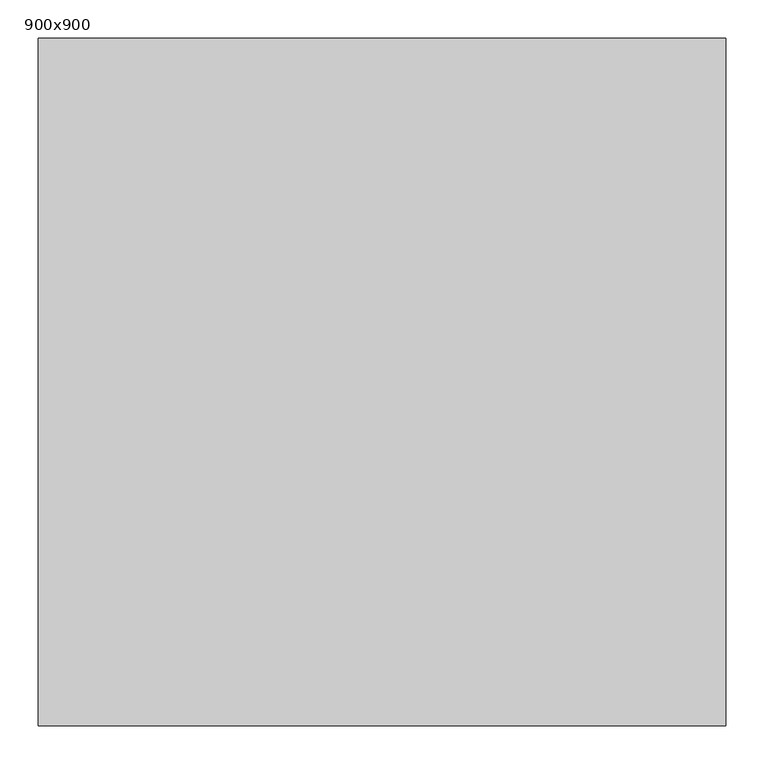
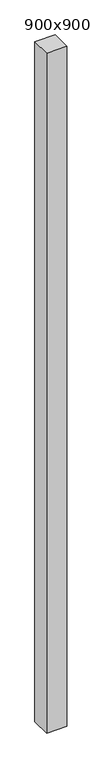
"""IFC4 building model written with IfcOpenShell, lengths in millimetres: column geometry, 900x900."""

import ifcopenshell
import ifcopenshell.guid

model = None  # the IFC model being written
_history = None  # IfcOwnerHistory: only IFC2X3 demands one
_inside = {}  # id of a spatial element -> (the spatial element, [elements in it])
_under = {}  # id of a project, library or spatial element -> (it, [spatial elements below it])
_declared = {}  # id of a project -> (the project, [libraries it declares])
_typed = {}  # id of a type object -> (the type object, [elements of that type])
_made_of = {}  # id of a material, layer set ... -> (it, [elements and type objects made of it])


def new_model(schema):
    """Start an empty IFC model of exactly this schema.

    Asked for "IFC4X3", IfcOpenShell would pick the latest addendum, in which some entities
    have other attributes; the version numbers below select the first issue.
    IFC2X3 requires an IfcOwnerHistory on every rooted entity: one is made here for all.
    """
    global model, _history
    if schema == "IFC4X3":
        model = ifcopenshell.file(schema_version=(4, 3, 0, 0))
    else:
        model = ifcopenshell.file(schema=schema)
    _inside.clear()
    _under.clear()
    _declared.clear()
    _typed.clear()
    _made_of.clear()
    _history = None
    if model.schema == "IFC2X3":
        org = make("IfcOrganization", Name="unknown")
        user = make(
            "IfcPersonAndOrganization",
            ThePerson=make("IfcPerson", FamilyName="unknown"),
            TheOrganization=org,
        )
        app = make(
            "IfcApplication",
            ApplicationDeveloper=org,
            Version="unknown",
            ApplicationFullName="unknown",
            ApplicationIdentifier="unknown",
        )
        _history = make(
            "IfcOwnerHistory",
            OwningUser=user,
            OwningApplication=app,
            ChangeAction="ADDED",
            CreationDate=0,
        )
    return model


def make(cls, **values):
    """One entity of the class cls with the attributes given. An attribute that is None is left unset."""
    return model.create_entity(
        cls, **{name: value for name, value in values.items() if value is not None}
    )


def rooted(cls, **values):
    """An entity with a GlobalId (a new one), such as an element, a storey or a relation."""
    return make(cls, GlobalId=ifcopenshell.guid.new(), OwnerHistory=_history, **values)


def si_unit(unit_type, name, prefix=None):
    """IfcSIUnit, for example si_unit("LENGTHUNIT", "METRE", prefix="MILLI")."""
    return make("IfcSIUnit", UnitType=unit_type, Prefix=prefix, Name=name)


def assignment(units):
    """IfcUnitAssignment: the units of a project."""
    return None if units is None else make("IfcUnitAssignment", Units=units)


def point(xyz):
    """IfcCartesianPoint."""
    return None if xyz is None else make("IfcCartesianPoint", Coordinates=xyz)


def direction(xyz):
    """IfcDirection."""
    return None if xyz is None else make("IfcDirection", DirectionRatios=xyz)


def frame(location, z_axis=None, x_axis=None):
    """IfcAxis2Placement3D, a coordinate frame: its origin and axes. An axis left out is left unset."""
    return make(
        "IfcAxis2Placement3D",
        Location=point(location),
        Axis=direction(z_axis),
        RefDirection=direction(x_axis),
    )


def origin():
    """The frame at (0, 0, 0) with its axes left unset."""
    return frame((0.0, 0.0, 0.0))


def place(relative_to, where):
    """IfcLocalPlacement: puts the frame where relative to a parent placement (None: the world)."""
    return make(
        "IfcLocalPlacement", PlacementRelTo=relative_to, RelativePlacement=where
    )


def context(
    kind, dimensions, precision=None, world=None, true_north=None, identifier=None
):
    """IfcGeometricRepresentationContext, for example the 3D "Model" context."""
    return make(
        "IfcGeometricRepresentationContext",
        ContextIdentifier=identifier,
        ContextType=kind,
        CoordinateSpaceDimension=dimensions,
        Precision=precision,
        WorldCoordinateSystem=world,
        TrueNorth=true_north,
    )


def project(units=None, contexts=None):
    """IfcProject with its units and contexts."""
    return rooted(
        "IfcProject",
        Name="project",
        RepresentationContexts=contexts,
        UnitsInContext=assignment(units),
    )


def spatial(cls, under=None, at=None, **own):
    """A site, building, storey or space (cls), placed at a placement, below another one or the project."""
    s = rooted(cls, ObjectPlacement=at, **own)
    if under is not None:
        _under.setdefault(under.id(), (under, []))[1].append(s)
    return s


def polyline(points):
    """IfcPolyline through the points."""
    return make("IfcPolyline", Points=[point(p) for p in points])


def outline(outer, holes=None, kind="AREA"):
    """IfcArbitraryClosedProfileDef: a profile drawn as a closed curve; with holes, ...WithVoids."""
    if holes is None:
        return make("IfcArbitraryClosedProfileDef", ProfileType=kind, OuterCurve=outer)
    return make(
        "IfcArbitraryProfileDefWithVoids",
        ProfileType=kind,
        OuterCurve=outer,
        InnerCurves=holes,
    )


def extrude(swept, where, along, depth):
    """IfcExtrudedAreaSolid: the profile swept, set in the frame where, extruded along a direction by depth."""
    return make(
        "IfcExtrudedAreaSolid",
        SweptArea=swept,
        Position=where,
        ExtrudedDirection=direction(along),
        Depth=depth,
    )


def shape(context_of_items, identifier, shape_type, items):
    """IfcShapeRepresentation: the items that make up one representation, for example the "Body"."""
    return make(
        "IfcShapeRepresentation",
        ContextOfItems=context_of_items,
        RepresentationIdentifier=identifier,
        RepresentationType=shape_type,
        Items=items,
    )


def source(mapping_origin, context_of_items, identifier, shape_type, items):
    """IfcRepresentationMap: a shape defined once, which mapped items show again and again."""
    return make(
        "IfcRepresentationMap",
        MappingOrigin=mapping_origin,
        MappedRepresentation=shape(context_of_items, identifier, shape_type, items),
    )


def transform(
    local_origin,
    x_axis=None,
    y_axis=None,
    z_axis=None,
    scale=None,
    scale2=None,
    scale3=None,
    uniform=True,
):
    """IfcCartesianTransformationOperator3D, or its non-uniform kind. x_axis, y_axis, z_axis: its Axis1, 2, 3."""
    if uniform:
        return make(
            "IfcCartesianTransformationOperator3D",
            Axis1=direction(x_axis),
            Axis2=direction(y_axis),
            LocalOrigin=point(local_origin),
            Scale=scale,
            Axis3=direction(z_axis),
        )
    return make(
        "IfcCartesianTransformationOperator3DnonUniform",
        Axis1=direction(x_axis),
        Axis2=direction(y_axis),
        LocalOrigin=point(local_origin),
        Scale=scale,
        Axis3=direction(z_axis),
        Scale2=scale2,
        Scale3=scale3,
    )


def mapped(mapping_source, mapping_target):
    """IfcMappedItem: shows the shape of a source again, moved by a transform."""
    return make(
        "IfcMappedItem", MappingSource=mapping_source, MappingTarget=mapping_target
    )


def made_of(thing, what):
    """Note that an element or type object is made of a material, layer set ...; save() writes the relation."""
    if what is not None:
        _made_of.setdefault(what.id(), (what, []))[1].append(thing)
    return thing


def element(
    cls,
    number,
    at=None,
    inside=None,
    cuts=None,
    type_object=None,
    material=None,
    context=None,
    identifier="Body",
    shape_type=None,
    held_by="IfcProductDefinitionShape",
    body=None,
    shapes=None,
    **own,
):
    """One element of the class cls, such as IfcWall. Its Tag is "e" and its number.

    at: its placement. inside: the storey or other place that contains it. cuts: it is an
    opening in that element (IfcRelVoidsElement). A single representation is given by context,
    identifier, shape_type and body (its items); several are given by shapes. held_by: the class
    of the entity that holds the representations. save() writes the other relations.
    """
    e = rooted(cls, Tag="e%d" % number, ObjectPlacement=at, **own)
    if body is not None:
        shapes = [shape(context, identifier, shape_type, body)]
    if shapes is not None:
        e.Representation = make(held_by, Representations=shapes)
    if inside is not None:
        _inside.setdefault(inside.id(), (inside, []))[1].append(e)
    if cuts is not None:
        rooted(
            "IfcRelVoidsElement", RelatingBuildingElement=cuts, RelatedOpeningElement=e
        )
    if type_object is not None:
        _typed.setdefault(type_object.id(), (type_object, []))[1].append(e)
    return made_of(e, material)


def aggregate(whole, parts):
    """IfcRelAggregates: a whole, such as a stair, and the parts it consists of."""
    return rooted("IfcRelAggregates", RelatingObject=whole, RelatedObjects=parts)


def save(model, path):
    """Write the relations noted so far, then the file.

    IfcRelAggregates (storeys below a building ...), IfcRelContainedInSpatialStructure (elements
    in a storey), IfcRelDefinesByType, IfcRelAssociatesMaterial and IfcRelDeclares: one each for
    every whole, place, type object, material and project.
    """
    for whole, parts in _under.values():
        aggregate(whole, parts)
    for where, things in _inside.values():
        rooted(
            "IfcRelContainedInSpatialStructure",
            RelatedElements=things,
            RelatingStructure=where,
        )
    for kind, things in _typed.values():
        rooted("IfcRelDefinesByType", RelatedObjects=things, RelatingType=kind)
    for what, things in _made_of.values():
        rooted("IfcRelAssociatesMaterial", RelatedObjects=things, RelatingMaterial=what)
    for by, libraries in _declared.values():
        rooted("IfcRelDeclares", RelatingContext=by, RelatedDefinitions=libraries)
    model.write(path)


def column_900x900_9fb1827b(model_context):
    return source(origin(), model_context, "Body", "SweptSolid", [
        extrude(outline(polyline([(450.0, -450.0), (-450.0, -450.0), (-450.0, 450.0), (450.0, 450.0), (450.0, -450.0)])), frame((0.0, 0.0, -3500.0), z_axis=(0.0, 0.0, 1.0), x_axis=(1.0, 0.0, 0.0)), (0.0, 0.0, 1.0), 32100.0),
    ])


if __name__ == "__main__":
    model = new_model("IFC4")
    model_context = context("Model", 3, world=origin())
    ifc_project = project(units=[si_unit("LENGTHUNIT", "METRE", prefix="MILLI")], contexts=[model_context])
    site = spatial("IfcSite", under=ifc_project)
    building = spatial("IfcBuilding", under=site)
    placement = place(None, origin())
    column_900x900_shape = column_900x900_9fb1827b(model_context)
    element("IfcColumn", 1, ObjectType="900x900", at=placement, inside=building, context=model_context, shape_type="MappedRepresentation", body=[
        mapped(column_900x900_shape, transform((0.0, 0.0, 0.0), x_axis=(1.0, 0.0, 0.0), y_axis=(0.0, 1.0, 0.0), z_axis=(0.0, 0.0, 1.0))),
    ])
    save(model, "model.ifc")
